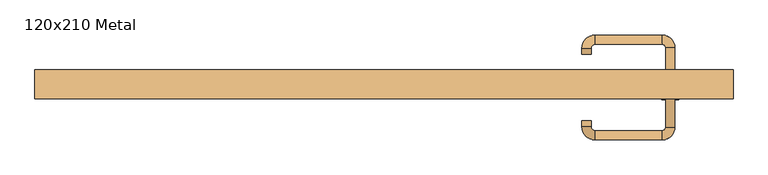
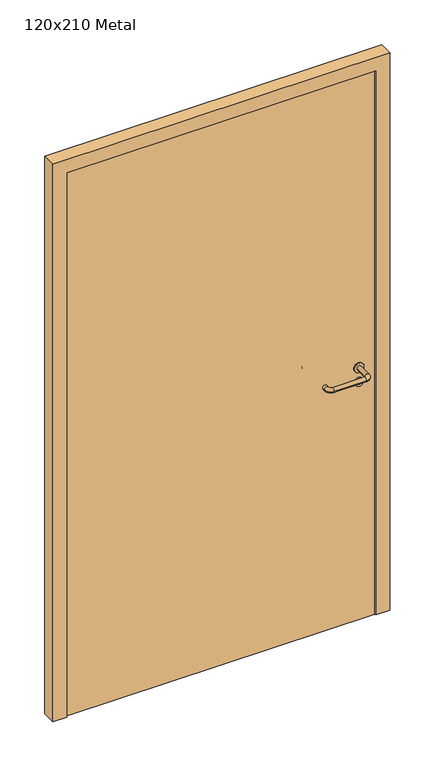
"""IFC4 building model written with IfcOpenShell, lengths in millimetres: door geometry, 120x210 Metal."""

from ifc_helpers import new_model, si_unit, point, frame, frame_2d, origin, origin_with_axes, place, context, project, spatial, polyline, circle_curve, ellipse_curve, trimmed, segment, composite_curve, outline, extrude, source, transform, mapped, element, save
from ifc_brep_helpers import plane_surface, cylinder_surface, revolved_surface, advanced_brep


def door_120x210_metal_fea510db(model_context):
    return source(origin(), model_context, "Body", "SolidModel", [
        extrude(outline(composite_curve([segment(trimmed(circle_curve(frame_2d((897.3605726, 492.0)), 15.0), [point((897.3605726, 507.0))], [point((897.3605726, 477.0))], False, "CARTESIAN"), True, "CONTINUOUS"), segment(trimmed(circle_curve(frame_2d((897.3605726, 492.0)), 15.0), [point((897.3605726, 477.0))], [point((897.3605726, 507.0))], False, "CARTESIAN"), True, "CONTINUOUS")], self_intersect=False), holes=[composite_curve([segment(trimmed(circle_curve(frame_2d((892.5833211, 491.9398032)), 2.0), [point((892.5833211, 493.9398032))], [point((892.5833211, 489.9398032))], True, "CARTESIAN"), True, "CONTINUOUS"), segment(polyline([(892.5833211, 489.9398032), (902.5833211, 489.9398032)]), True, "CONTINUOUS"), segment(trimmed(circle_curve(frame_2d((902.5833211, 491.9398032)), 2.0), [point((902.5833211, 489.9398032))], [point((902.5833211, 493.9398032))], True, "CARTESIAN"), True, "CONTINUOUS"), segment(polyline([(902.5833211, 493.9398032), (892.5833211, 493.9398032)]), True, "CONTINUOUS")], self_intersect=False)]), frame((0.0, -115.0, 0.0), z_axis=(0.0, 1.0, 0.0), x_axis=(0.0, 0.0, 1.0)), (0.0, 0.0, 1.0), 6.35),
        extrude(outline(composite_curve([segment(trimmed(circle_curve(frame_2d((950.0, 492.0)), 17.526), [point((950.0, 509.526))], [point((950.0, 474.474))], False, "CARTESIAN"), True, "CONTINUOUS"), segment(trimmed(circle_curve(frame_2d((950.0, 492.0)), 17.526), [point((950.0, 474.474))], [point((950.0, 509.526))], False, "CARTESIAN"), True, "CONTINUOUS")], self_intersect=False)), frame((0.0, -115.0, 0.0), z_axis=(0.0, 1.0, 0.0), x_axis=(0.0, 0.0, 1.0)), (0.0, 0.0, 1.0), 3.175),
        advanced_brep(
        [(500.0, -115.0, 950.0), (484.0, -115.0, 950.0), (500.0, -62.0, 950.0), (484.0, -62.0, 950.0), (477.8578644, -55.8578644, 950.0), (477.8578644, -39.8578644, 950.0), (362.8578644, -39.8578644, 950.0), (362.8578644, -55.8578644, 950.0), (356.008622, -62.7071068, 950.0), (340.008622, -62.7071068, 950.0), (340.008622, -72.7071068, 950.0), (356.008622, -72.7071068, 950.0)],
        [
            (0, 1, circle_curve(frame((492.0, -115.0, 950.0), z_axis=(0.0, -1.0, 0.0), x_axis=(-1.0, 0.0, 0.0)), 8.0)),
            (1, 0, circle_curve(frame((492.0, -115.0, 950.0), z_axis=(0.0, -1.0, 0.0), x_axis=(-1.0, 0.0, 0.0)), 8.0)),
            (0, 2),
            (2, 3, circle_curve(frame((492.0, -62.0, 950.0), z_axis=(0.0, -1.0, 0.0), x_axis=(-1.0, 0.0, 0.0)), 8.0)),
            (3, 1),
            (3, 2, circle_curve(frame((492.0, -62.0, 950.0), z_axis=(0.0, -1.0, 0.0), x_axis=(-1.0, 0.0, 0.0)), 8.0)),
            (4, 3, circle_curve(frame((477.8578644, -62.0, 950.0), z_axis=(0.0, 0.0, -1.0), x_axis=(1.0, 0.0, 0.0)), 6.1421356)),
            (2, 5, circle_curve(frame((477.8578644, -62.0, 950.0), z_axis=(0.0, 0.0, 1.0), x_axis=(1.0, 0.0, 0.0)), 22.1421356)),
            (5, 4, circle_curve(frame((477.8578644, -47.8578644, 950.0), z_axis=(1.0, 0.0, 0.0), x_axis=(0.0, -1.0, 0.0)), 8.0)),
            (4, 5, circle_curve(frame((477.8578644, -47.8578644, 950.0), z_axis=(1.0, 0.0, 0.0), x_axis=(0.0, -1.0, 0.0)), 8.0)),
            (5, 6),
            (6, 7, circle_curve(frame((362.8578644, -47.8578644, 950.0), z_axis=(1.0, 0.0, 0.0), x_axis=(0.0, -1.0, 0.0)), 8.0)),
            (7, 4),
            (7, 6, circle_curve(frame((362.8578644, -47.8578644, 950.0), z_axis=(1.0, 0.0, 0.0), x_axis=(0.0, -1.0, 0.0)), 8.0)),
            (8, 7, circle_curve(frame((362.8578644, -62.7071068, 950.0), z_axis=(0.0, 0.0, -1.0), x_axis=(0.0, 1.0, 0.0)), 6.8492424)),
            (6, 9, circle_curve(frame((362.8578644, -62.7071068, 950.0), z_axis=(0.0, 0.0, 1.0), x_axis=(0.0, 1.0, 0.0)), 22.8492424)),
            (9, 8, circle_curve(frame((348.008622, -62.7071068, 950.0), z_axis=(0.0, 1.0, 0.0), x_axis=(1.0, 0.0, 0.0)), 8.0)),
            (8, 9, circle_curve(frame((348.008622, -62.7071068, 950.0), z_axis=(0.0, 1.0, 0.0), x_axis=(1.0, 0.0, 0.0)), 8.0)),
            (10, 11, circle_curve(frame((348.008622, -72.7071068, 950.0), z_axis=(0.0, -1.0, 0.0), x_axis=(1.0, 0.0, 0.0)), 8.0)),
            (11, 10, circle_curve(frame((348.008622, -72.7071068, 950.0), z_axis=(0.0, -1.0, 0.0), x_axis=(1.0, 0.0, 0.0)), 8.0)),
            (9, 10),
            (11, 8),
        ],
        [
            plane_surface(frame((492.0, -115.0, 170.0), z_axis=(0.0, -1.0, 0.0), x_axis=(0.0, 0.0, 1.0))),
            cylinder_surface(frame((492.0, -115.0, 950.0), z_axis=(0.0, -1.0, 0.0), x_axis=(-1.0, 0.0, 0.0)), 8.0),
            revolved_surface(trimmed(ellipse_curve(frame((492.0, -62.0, 950.0), z_axis=(0.0, -1.0, 0.0), x_axis=(-1.0, 0.0, 0.0)), 8.0, 8.0), [point((500.0, -62.0, 950.0))], [point((484.0, -62.0, 950.0))], True, "CARTESIAN"), (477.8578644, -62.0, 170.0), (0.0, 0.0, 1.0)),
            revolved_surface(trimmed(ellipse_curve(frame((492.0, -62.0, 950.0), z_axis=(0.0, -1.0, 0.0), x_axis=(-1.0, 0.0, 0.0)), 8.0, 8.0), [point((484.0, -62.0, 950.0))], [point((500.0, -62.0, 950.0))], True, "CARTESIAN"), (477.8578644, -62.0, 170.0), (0.0, 0.0, 1.0)),
            cylinder_surface(frame((477.8578644, -47.8578644, 950.0), z_axis=(1.0, 0.0, 0.0), x_axis=(0.0, -1.0, 0.0)), 8.0),
            revolved_surface(trimmed(ellipse_curve(frame((362.8578644, -47.8578644, 950.0), z_axis=(1.0, 0.0, 0.0), x_axis=(0.0, -1.0, 0.0)), 8.0, 8.0), [point((362.8578644, -39.8578644, 950.0))], [point((362.8578644, -55.8578644, 950.0))], True, "CARTESIAN"), (362.8578644, -62.7071068, 170.0), (0.0, 0.0, 1.0)),
            revolved_surface(trimmed(ellipse_curve(frame((362.8578644, -47.8578644, 950.0), z_axis=(1.0, 0.0, 0.0), x_axis=(0.0, -1.0, 0.0)), 8.0, 8.0), [point((362.8578644, -55.8578644, 950.0))], [point((362.8578644, -39.8578644, 950.0))], True, "CARTESIAN"), (362.8578644, -62.7071068, 170.0), (0.0, 0.0, 1.0)),
            plane_surface(frame((348.008622, -72.7071068, 170.0), z_axis=(0.0, -1.0, 0.0), x_axis=(0.0, 0.0, 1.0))),
            cylinder_surface(frame((348.008622, -62.7071068, 950.0), z_axis=(0.0, 1.0, 0.0), x_axis=(1.0, 0.0, 0.0)), 8.0),
        ],
        [
            (0, [[1, 2]]),
            (1, [[-1, 3, 4, 5]]),
            (1, [[-2, -5, 6, -3]]),
            (2, [[7, -4, 8, 9]]),
            (3, [[-8, -6, -7, 10]]),
            (4, [[-9, 11, 12, 13]]),
            (4, [[-10, -13, 14, -11]]),
            (5, [[15, -12, 16, 17]]),
            (6, [[-16, -14, -15, 18]]),
            (7, [[19, 20]]),
            (8, [[-17, 21, -20, 22]]),
            (8, [[-18, -22, -19, -21]]),
        ],
    ),
        extrude(outline(composite_curve([segment(trimmed(circle_curve(frame_2d((0.0, 15.0)), 15.0), [point((0.0, 30.0))], [point((0.0, 0.0))], False, "CARTESIAN"), True, "CONTINUOUS"), segment(trimmed(circle_curve(frame_2d((0.0, 15.0)), 15.0), [point((0.0, 0.0))], [point((0.0, 30.0))], False, "CARTESIAN"), True, "CONTINUOUS")], self_intersect=False), holes=[composite_curve([segment(trimmed(circle_curve(frame_2d((-4.7772515, 14.9398032)), 2.0), [point((-4.7772515, 16.9398032))], [point((-4.7772515, 12.9398032))], True, "CARTESIAN"), True, "CONTINUOUS"), segment(polyline([(-4.7772515, 12.9398032), (5.2227485, 12.9398032)]), True, "CONTINUOUS"), segment(trimmed(circle_curve(frame_2d((5.2227485, 14.9398032)), 2.0), [point((5.2227485, 12.9398032))], [point((5.2227485, 16.9398032))], True, "CARTESIAN"), True, "CONTINUOUS"), segment(polyline([(5.2227485, 16.9398032), (-4.7772515, 16.9398032)]), True, "CONTINUOUS")], self_intersect=False)]), frame((477.0, -151.35, 897.3605726), z_axis=(-1.8870575173328306e-12, 1.0, 0.0), x_axis=(0.0, 0.0, 1.0)), (0.0, 0.0, 1.0), 6.35),
        extrude(outline(composite_curve([segment(trimmed(circle_curve(frame_2d((0.0, 17.526)), 17.526), [point((0.0, 35.052))], [point((0.0, 0.0))], False, "CARTESIAN"), True, "CONTINUOUS"), segment(trimmed(circle_curve(frame_2d((0.0, 17.526)), 17.526), [point((0.0, 0.0))], [point((0.0, 35.052))], False, "CARTESIAN"), True, "CONTINUOUS")], self_intersect=False)), frame((474.474, -148.175, 950.0), z_axis=(-1.8870575173328306e-12, 1.0, 0.0), x_axis=(0.0, 0.0, 1.0)), (0.0, 0.0, 1.0), 3.175),
        advanced_brep(
        [(500.0, -145.0, 950.0), (484.0, -145.0, 950.0), (484.0, -198.0, 950.0), (500.0, -198.0, 950.0), (477.8578644, -204.1421356, 950.0), (477.8578644, -220.1421356, 950.0), (362.8578644, -204.1421356, 950.0), (362.8578644, -220.1421356, 950.0), (356.008622, -197.2928932, 950.0), (340.008622, -197.2928932, 950.0), (340.008622, -187.2928932, 950.0), (356.008622, -187.2928932, 950.0)],
        [
            (0, 1, circle_curve(frame((492.0, -145.0, 950.0), z_axis=(-1.888672253512351e-12, 1.0, 0.0), x_axis=(-1.0, -1.888672253512351e-12, 0.0)), 8.0)),
            (1, 0, circle_curve(frame((492.0, -145.0, 950.0), z_axis=(-1.888672253512351e-12, 1.0, 0.0), x_axis=(-1.0, -1.888672253512351e-12, 0.0)), 8.0)),
            (1, 2),
            (2, 3, circle_curve(frame((492.0, -198.0, 950.0), z_axis=(-1.888672253512351e-12, 1.0, 0.0), x_axis=(-1.0, -1.888672253512351e-12, 0.0)), 8.0)),
            (3, 0),
            (3, 2, circle_curve(frame((492.0, -198.0, 950.0), z_axis=(-1.888672253512351e-12, 1.0, 0.0), x_axis=(-1.0, -1.888672253512351e-12, 0.0)), 8.0)),
            (4, 5, circle_curve(frame((477.8578644, -212.1421356, 950.0), z_axis=(1.0, 1.913702061528922e-12, 0.0), x_axis=(-1.913702061528922e-12, 1.0, 0.0)), 8.0)),
            (5, 3, circle_curve(frame((477.8578644, -198.0, 950.0), z_axis=(0.0, 0.0, 1.0), x_axis=(1.0, 1.880717803715015e-12, 0.0)), 22.1421356)),
            (2, 4, circle_curve(frame((477.8578644, -198.0, 950.0), z_axis=(0.0, 0.0, -1.0), x_axis=(1.0, 1.880717803715015e-12, 0.0)), 6.1421356)),
            (5, 4, circle_curve(frame((477.8578644, -212.1421356, 950.0), z_axis=(1.0, 1.913702061528922e-12, 0.0), x_axis=(-1.913702061528922e-12, 1.0, 0.0)), 8.0)),
            (4, 6),
            (6, 7, circle_curve(frame((362.8578644, -212.1421356, 950.0), z_axis=(1.0, 1.913719828541269e-12, 0.0), x_axis=(-1.913719828541269e-12, 1.0, 0.0)), 8.0)),
            (7, 5),
            (7, 6, circle_curve(frame((362.8578644, -212.1421356, 950.0), z_axis=(1.0, 1.913719828541269e-12, 0.0), x_axis=(-1.913719828541269e-12, 1.0, 0.0)), 8.0)),
            (8, 9, circle_curve(frame((348.008622, -197.2928932, 950.0), z_axis=(1.890226565746826e-12, -1.0, 0.0), x_axis=(1.0, 1.890226565746826e-12, 0.0)), 8.0)),
            (9, 7, circle_curve(frame((362.8578644, -197.2928932, 950.0), z_axis=(0.0, 0.0, 1.0), x_axis=(1.9120873253494017e-12, -1.0, 0.0)), 22.8492424)),
            (6, 8, circle_curve(frame((362.8578644, -197.2928932, 950.0), z_axis=(0.0, 0.0, -1.0), x_axis=(1.9120873253494017e-12, -1.0, 0.0)), 6.8492424)),
            (9, 8, circle_curve(frame((348.008622, -197.2928932, 950.0), z_axis=(1.890670654956676e-12, -1.0, 0.0), x_axis=(1.0, 1.890670654956676e-12, 0.0)), 8.0)),
            (10, 11, circle_curve(frame((348.008622, -187.2928932, 950.0), z_axis=(-1.8903642334018795e-12, 1.0, 0.0), x_axis=(1.0, 1.8903642334018795e-12, 0.0)), 8.0)),
            (11, 10, circle_curve(frame((348.008622, -187.2928932, 950.0), z_axis=(-1.8903642334018795e-12, 1.0, 0.0), x_axis=(1.0, 1.8903642334018795e-12, 0.0)), 8.0)),
            (8, 11),
            (10, 9),
        ],
        [
            plane_surface(frame((492.0, -145.0, 170.0), z_axis=(-1.8870575173328306e-12, 1.0, 0.0), x_axis=(0.0, 0.0, 1.0))),
            cylinder_surface(frame((492.0, -145.0, 950.0), z_axis=(-1.888672253512351e-12, 1.0, 0.0), x_axis=(-1.0, -1.888672253512351e-12, 0.0)), 8.0),
            revolved_surface(trimmed(ellipse_curve(frame((492.0, -198.0, 950.0), z_axis=(1.8823325398945356e-12, -1.0, 0.0), x_axis=(-1.0, -1.8823325398945356e-12, 0.0)), 8.0, 8.0), [point((500.0, -198.0, 950.0))], [point((484.0, -198.0, 950.0))], True, "CARTESIAN"), (477.8578644, -198.0, 170.0), (0.0, 0.0, 1.0)),
            revolved_surface(trimmed(ellipse_curve(frame((492.0, -198.0, 950.0), z_axis=(1.8823325398945356e-12, -1.0, 0.0), x_axis=(-1.0, -1.8823325398945356e-12, 0.0)), 8.0, 8.0), [point((484.0, -198.0, 950.0))], [point((500.0, -198.0, 950.0))], True, "CARTESIAN"), (477.8578644, -198.0, 170.0), (0.0, 0.0, 1.0)),
            cylinder_surface(frame((477.8578644, -212.1421356, 950.0), z_axis=(1.0, 1.913719828541269e-12, 0.0), x_axis=(-1.913719828541269e-12, 1.0, 0.0)), 8.0),
            revolved_surface(trimmed(ellipse_curve(frame((362.8578644, -212.1421356, 950.0), z_axis=(-1.0, -1.913702061528922e-12, 0.0), x_axis=(-1.913702061528922e-12, 1.0, 0.0)), 8.0, 8.0), [point((362.8578644, -220.1421356, 950.0))], [point((362.8578644, -204.1421356, 950.0))], True, "CARTESIAN"), (362.8578644, -197.2928932, 170.0), (0.0, 0.0, 1.0)),
            revolved_surface(trimmed(ellipse_curve(frame((362.8578644, -212.1421356, 950.0), z_axis=(-1.0, -1.913702061528922e-12, 0.0), x_axis=(-1.913702061528922e-12, 1.0, 0.0)), 8.0, 8.0), [point((362.8578644, -204.1421356, 950.0))], [point((362.8578644, -220.1421356, 950.0))], True, "CARTESIAN"), (362.8578644, -197.2928932, 170.0), (0.0, 0.0, 1.0)),
            plane_surface(frame((348.008622, -187.2928932, 170.0), z_axis=(-1.8887494972223595e-12, 1.0, 0.0), x_axis=(0.0, 0.0, 1.0))),
            cylinder_surface(frame((348.008622, -197.2928932, 950.0), z_axis=(1.8903642334018795e-12, -1.0, 0.0), x_axis=(1.0, 1.8903642334018795e-12, 0.0)), 8.0),
        ],
        [
            (0, [[1, 2]]),
            (1, [[3, 4, 5, -2]]),
            (1, [[-5, 6, -3, -1]]),
            (2, [[7, 8, -4, 9]]),
            (3, [[10, -9, -6, -8]]),
            (4, [[11, 12, 13, -7]]),
            (4, [[-13, 14, -11, -10]]),
            (5, [[15, 16, -12, 17]]),
            (6, [[18, -17, -14, -16]]),
            (7, [[19, 20]]),
            (8, [[21, -19, 22, -15]]),
            (8, [[-22, -20, -21, -18]]),
        ],
    ),
        extrude(outline(polyline([(2050.0, 550.0), (0.0, 550.0), (0.0, 600.0), (2100.0, 600.0), (2100.0, -600.0), (0.0, -600.0), (0.0, -550.0), (2050.0, -550.0), (2050.0, 550.0)])), frame((0.0, -150.0, 0.0), z_axis=(0.0, 1.0, 0.0), x_axis=(0.0, 0.0, 1.0)), (0.0, 0.0, 1.0), 50.0),
        extrude(outline(polyline([(-550.0, -145.0), (-550.0, -115.0), (550.0, -115.0), (550.0, -145.0), (-550.0, -145.0)])), origin_with_axes(), (0.0, 0.0, 1.0), 2050.0),
    ])


if __name__ == "__main__":
    model = new_model("IFC4")
    model_context = context("Model", 3, world=origin())
    ifc_project = project(units=[si_unit("LENGTHUNIT", "METRE", prefix="MILLI")], contexts=[model_context])
    site = spatial("IfcSite", under=ifc_project)
    building = spatial("IfcBuilding", under=site)
    placement = place(None, origin())
    door_120x210_metal_shape = door_120x210_metal_fea510db(model_context)
    element("IfcDoor", 1, ObjectType="120x210 Metal", at=placement, inside=building, context=model_context, shape_type="MappedRepresentation", body=[
        mapped(door_120x210_metal_shape, transform((0.0, 0.0, 0.0), x_axis=(1.0, 0.0, 0.0), y_axis=(0.0, 1.0, 0.0), z_axis=(0.0, 0.0, 1.0))),
    ])
    save(model, "model.ifc")
